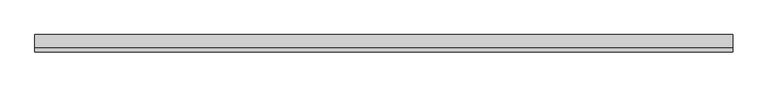
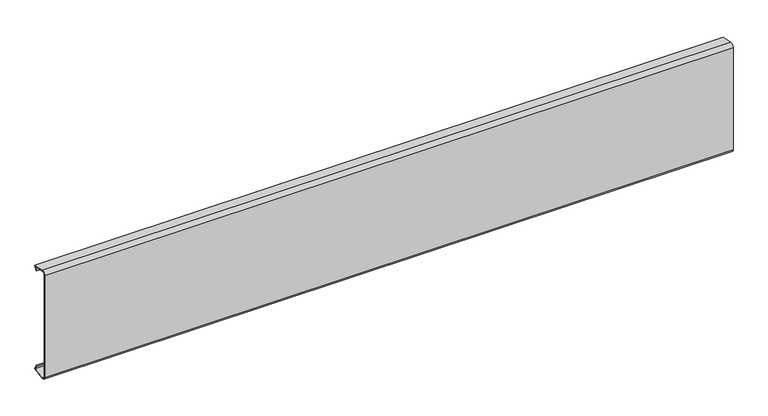
"""IFC4 building model written with IfcOpenShell, lengths in millimetres: plate geometry."""

from ifc_helpers import new_model, si_unit, point, frame, frame_2d, origin, place, context, project, spatial, polyline, circle_curve, trimmed, segment, composite_curve, outline, extrude, source, transform, mapped, element, save


def plate_0762fffb(model_context):
    return source(origin(), model_context, "Body", "SweptSolid", [
        extrude(outline(composite_curve([segment(polyline([(-126.5702753, 324.2300418), (-126.5702753, 11.5255511)]), True, "CONTINUOUS"), segment(trimmed(circle_curve(frame_2d((-118.4655739, 12.1618322)), 8.1296395), [point((-126.5702753, 11.5255511))], [point((-117.0538769, 4.1557002))], True, "CARTESIAN"), True, "CONTINUOUS"), segment(polyline([(-117.0538769, 4.1557002), (-82.0222594, 10.3327195), (-87.2183611, 21.4757956), (-85.4057455, 22.3210321), (-79.1081101, 8.8157094), (-116.7065805, 2.1860847)]), True, "CONTINUOUS"), segment(trimmed(circle_curve(frame_2d((-118.4655739, 12.1618322)), 10.1296395), [point((-116.7065805, 2.1860847))], [point((-128.5702753, 11.4514759))], False, "CARTESIAN"), True, "CONTINUOUS"), segment(polyline([(-128.5702753, 11.4514759), (-128.5702753, 324.3041169)]), True, "CONTINUOUS"), segment(trimmed(circle_curve(frame_2d((-118.4655739, 323.5937606)), 10.1296395), [point((-128.5702753, 324.3041169))], [point((-116.7065805, 333.5695081))], False, "CARTESIAN"), True, "CONTINUOUS"), segment(polyline([(-116.7065805, 333.5695081), (-79.1081101, 326.9398834), (-85.4057455, 313.4345607), (-87.2183611, 314.2797972), (-82.0222594, 325.4228733), (-117.0538769, 331.5998926)]), True, "CONTINUOUS"), segment(trimmed(circle_curve(frame_2d((-118.4655739, 323.5937606)), 8.1296395), [point((-117.0538769, 331.5998926))], [point((-126.5702753, 324.2300418))], True, "CARTESIAN"), True, "CONTINUOUS")], self_intersect=False)), frame((-1000.0, 0.0, 0.0), z_axis=(1.0, 0.0, 0.0), x_axis=(0.0, 1.0, 0.0)), (0.0, 0.0, 1.0), 2000.0),
    ])


if __name__ == "__main__":
    model = new_model("IFC4")
    model_context = context("Model", 3, world=origin())
    ifc_project = project(units=[si_unit("LENGTHUNIT", "METRE", prefix="MILLI")], contexts=[model_context])
    site = spatial("IfcSite", under=ifc_project)
    building = spatial("IfcBuilding", under=site)
    placement = place(None, origin())
    plate_shape = plate_0762fffb(model_context)
    element("IfcPlate", 1, at=placement, inside=building, context=model_context, shape_type="MappedRepresentation", body=[
        mapped(plate_shape, transform((0.0, 0.0, 0.0), x_axis=(1.0, 0.0, 0.0), y_axis=(0.0, 1.0, 0.0), z_axis=(0.0, 0.0, 1.0))),
    ])
    save(model, "model.ifc")
